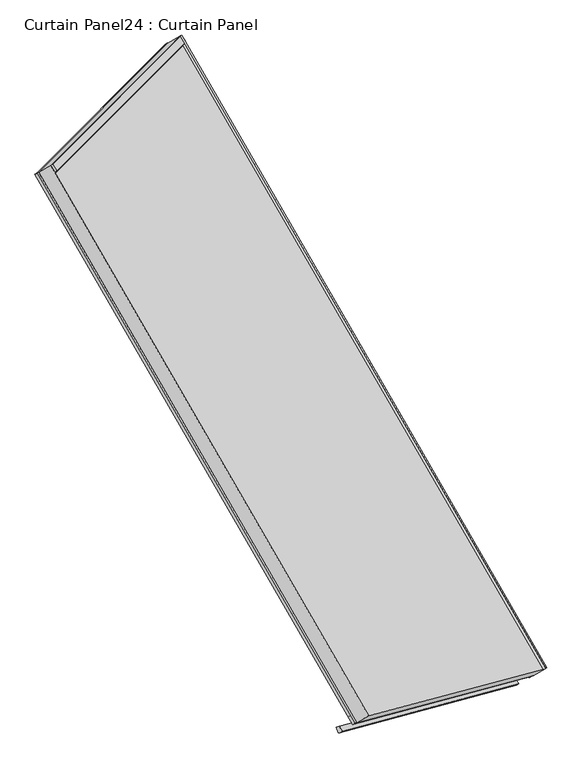
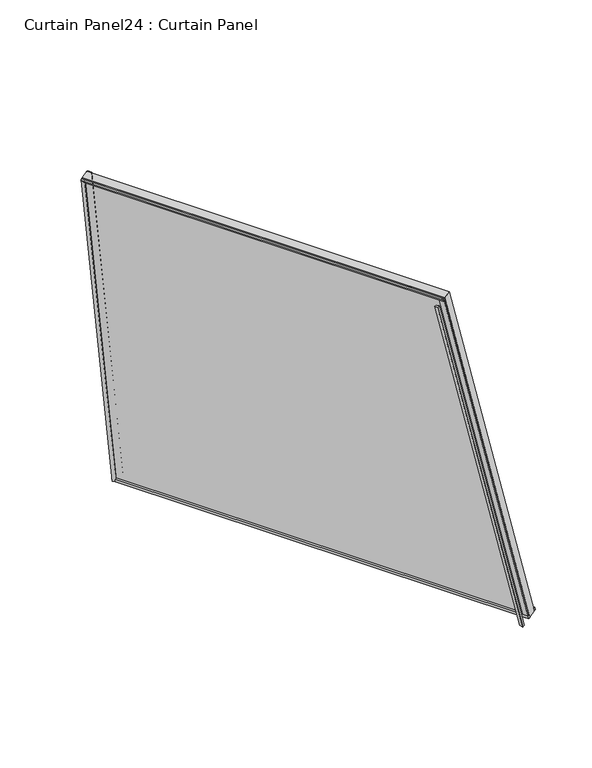
"""IFC4 building model written with IfcOpenShell, lengths in millimetres: plate geometry, Curtain Panel24 : Curtain Panel."""

from ifc_helpers import new_model, si_unit, frame, origin, place, context, project, spatial, polyline, outline, extrude, source, transform, mapped, element, save


def curtain_panel24_curtain_panel_b52621b5(model_context):
    return source(origin(), model_context, "Body", "SweptSolid", [
        extrude(outline(polyline([(41.5313813, -0.056758), (41.5313813, -12.4746669), (36.8101563, -16.9566366), (36.8101563, -0.056758), (41.5313813, -0.056758)])), frame((-9282.8431034, -12906.909428, 980.4177076), z_axis=(-0.499999999999994, 0.866025403784442, 0.0), x_axis=(0.8383994929501061, 0.48405017294318164, 0.25056280708573087)), (0.0, 0.0, 1.0), 1545.7309255),
        extrude(outline(polyline([(6.6476563, -0.0567579), (6.6476563, -11.5943921), (-0.0992187, -10.3945231), (-0.0992187, -0.056758), (6.6476563, -0.0567579)])), frame((-9282.8431034, -12906.909428, 980.4177076), z_axis=(-0.499999999999994, 0.866025403784442, 0.0), x_axis=(0.8383994929501061, 0.48405017294318164, 0.25056280708573087)), (0.0, 0.0, 1.0), 1545.7309255),
        extrude(outline(polyline([(3.4371391, -0.6058522), (-3.109271, 0.6061747), (-0.3257357, 11.3718969), (6.6476676, 13.2685673), (6.6476676, -0.5776471), (3.4371391, -0.6058522)])), frame((-9656.450053, -13007.0171087, 2423.9241143), z_axis=(-0.49999999999999384, 0.8660254037844421, 0.0), x_axis=(0.8383994929501061, 0.48405017294318164, 0.25056280708573087)), (0.0, 0.0, 1.0), 1345.5155651),
        extrude(outline(polyline([(41.5569162, -0.3764064), (41.5662995, -16.5121387), (36.8101563, -19.5433988), (36.8101563, -0.3791667), (41.5569162, -0.3764064)])), frame((-10055.6613291, -11568.219942, 980.1683943), z_axis=(-0.18301270189222088, -0.18301270189221613, 0.9659258262890686), x_axis=(0.8383994929501061, 0.48405017294318153, 0.2505628070857308)), (0.0, 0.0, 1.0), 1494.6859072),
        extrude(outline(polyline([(0.2976563, 0.0210532), (6.6476563, 0.0210531), (6.6476563, -11.4539207), (0.2964422, -13.0977358), (-2.8857055, -0.8028615), (0.2976563, 0.0210532)])), frame((-10055.6613291, -11568.219942, 980.1683943), z_axis=(-0.18301270189222088, -0.18301270189221613, 0.9659258262890686), x_axis=(0.8383994929501061, 0.48405017294318153, 0.2505628070857308)), (0.0, 0.0, 1.0), 1494.6859072),
        extrude(outline(polyline([(4.7402083, 0.389869), (0.0056736, 0.4013928), (0.0056737, 19.5813859), (4.7507674, 16.525053), (4.7402083, 0.389869)])), frame((-9282.7785763, -12906.892138, 980.1683943), z_axis=(-0.2499999999999912, -0.066987298107794, 0.9659258262890696), x_axis=(0.838399492950106, 0.48405017294318176, 0.2505628070857308)), (0.0, 0.0, 1.0), 1494.6859072),
        extrude(outline(polyline([(-36.5068263, 0.0), (-39.6901881, 0.8239146), (-36.5080405, 13.1187891), (-30.1568264, 11.4749739), (-30.1568263, 0.0), (-36.5068263, 0.0)])), frame((-9282.7785763, -12906.892138, 980.1683943), z_axis=(-0.2499999999999912, -0.066987298107794, 0.9659258262890696), x_axis=(0.838399492950106, 0.48405017294318176, 0.2505628070857308)), (0.0, 0.0, 1.0), 1494.6859072),
        extrude(outline(polyline([(-69.1681417, 0.0), (-172.7147964, -1542.2934507), (-1653.9865011, -1342.4933055), (-1563.8540489, -1e-07), (-69.1681417, 0.0)])), frame((-10037.4974871, -11552.3828686, 915.327016), z_axis=(0.8383994929501061, 0.48405017294318164, 0.25056280708573087), x_axis=(0.18301270189222046, 0.18301270189221683, -0.9659258262890685)), (0.0, 0.0, 1.0), 30.1625),
    ])


if __name__ == "__main__":
    model = new_model("IFC4")
    model_context = context("Model", 3, world=origin())
    ifc_project = project(units=[si_unit("LENGTHUNIT", "METRE", prefix="MILLI")], contexts=[model_context])
    site = spatial("IfcSite", under=ifc_project)
    building = spatial("IfcBuilding", under=site)
    placement = place(None, origin())
    curtain_panel24_curtain_panel_shape = curtain_panel24_curtain_panel_b52621b5(model_context)
    element("IfcPlate", 1, ObjectType="Curtain Panel24 : Curtain Panel", at=placement, inside=building, context=model_context, shape_type="MappedRepresentation", body=[
        mapped(curtain_panel24_curtain_panel_shape, transform((0.0, 0.0, 0.0), x_axis=(1.0, 0.0, 0.0), y_axis=(0.0, 1.0, 0.0), z_axis=(0.0, 0.0, 1.0))),
    ])
    save(model, "model.ifc")
